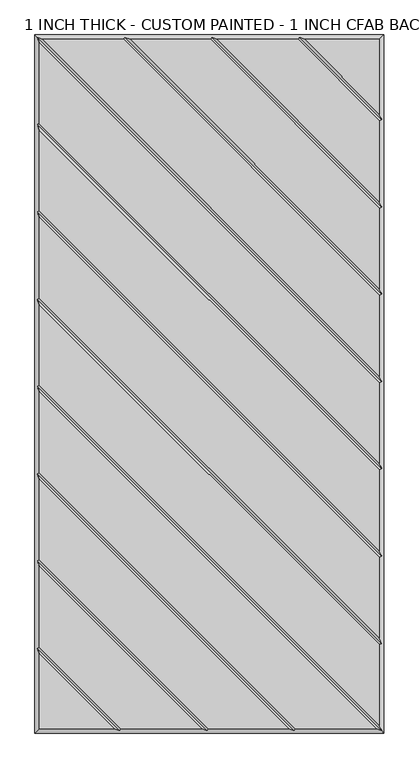
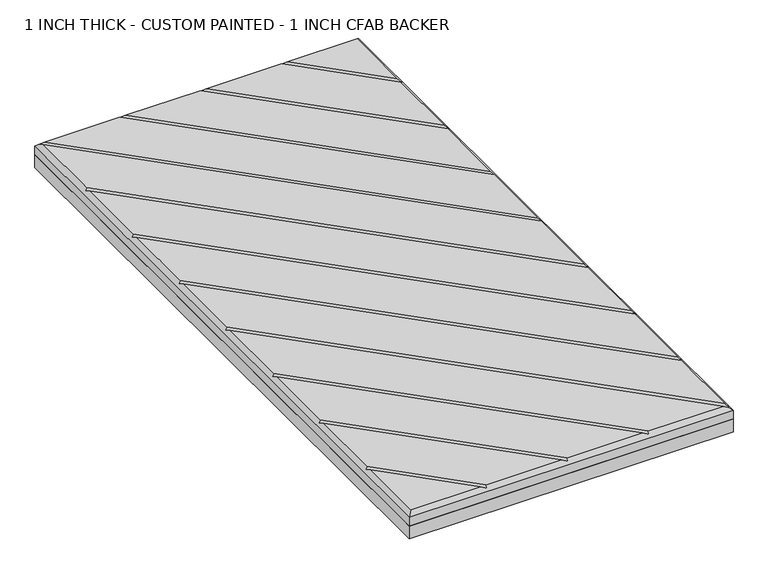
"""IFC4 building model written with IfcOpenShell, lengths in millimetres: proxy geometry, 1 INCH THICK - CUSTOM PAINTED - 1 INCH CFAB BACKER."""

from ifc_helpers import new_model, si_unit, frame, origin, place, context, project, spatial, polyline, outline, extrude, faceted_brep, source, transform, mapped, element, save


def proxy_1_inch_thick_custom_painted_1_inch_cfab_backer_3d9d440b(model_context):
    return source(origin(), model_context, "Body", "SolidModel", [
        extrude(outline(polyline([(-304.8, 609.6), (304.8, 609.6), (304.8, -609.6), (-304.8, -609.6), (-304.8, 609.6)])), frame((0.0, 0.0, -25.4), z_axis=(0.0, 0.0, 1.0), x_axis=(1.0, 0.0, 0.0)), (0.0, 0.0, 1.0), 25.4),
        faceted_brep([(296.799, 601.599, 25.4), (166.0590948, 601.599, 25.4), (296.799, 470.8590948, 25.4), (-296.799, -601.599, 25.4), (-166.0590079, -601.599, 25.4), (-296.799, -470.8585721, 25.4), (296.799, 459.543972, 25.4), (154.743972, 601.599, 25.4), (13.6585868, 601.599, 25.4), (296.799, 318.4585868, 25.4), (296.799, 307.143464, 25.4), (2.343464, 601.599, 25.4), (-138.7419092, 601.599, 25.4), (296.799, 166.0585747, 25.4), (296.799, 154.7434583, 25.4), (-150.0570382, 601.599, 25.4), (-291.1414386, 601.599, 25.4), (296.799, 13.6585614, 25.4), (296.799, 2.3434386, 25.4), (-296.799, 595.9414386, 25.4), (-296.799, 454.8565868, 25.4), (296.799, -138.7414132, 25.4), (296.799, -150.056536, 25.4), (-296.799, 443.541464, 25.4), (-296.799, 302.4565868, 25.4), (296.799, -291.1414132, 25.4), (296.799, -302.456536, 25.4), (-296.799, 291.141464, 25.4), (-296.799, 150.0565868, 25.4), (296.799, -443.5414132, 25.4), (296.799, -454.856536, 25.4), (-296.799, 138.741464, 25.4), (-296.799, -2.3434386, 25.4), (296.799, -595.9414386, 25.4), (291.1414386, -601.599, 25.4), (-296.799, -13.6585614, 25.4), (-296.799, -154.7434132, 25.4), (150.0565868, -601.599, 25.4), (-296.799, -459.5434305, 25.4), (-154.743904, -601.599, 25.4), (-13.6585605, -601.599, 25.4), (-296.799, -318.4585369, 25.4), (-296.799, -307.1434137, 25.4), (-2.3434382, -601.599, 25.4), (138.741464, -601.599, 25.4), (-296.799, -166.058536, 25.4), (-304.8, 609.6, 0.0), (304.8, 609.6, 0.0), (304.8, -609.6, 0.0), (-304.8, -609.6, 0.0), (-304.8, -609.6, 17.399), (-304.8, 609.6, 17.399), (304.8, -609.6, 17.399), (304.8, 609.6, 17.399), (-300.7995, 605.5995, 21.3995), (-148.3999782, 605.5995, 21.3995), (4.0005254, 605.5995, 21.3995), (156.4010334, 605.5995, 21.3995), (-300.7995, -461.2004879, 21.3995), (-300.7995, -308.8004749, 21.3995), (-300.7995, -156.4004746, 21.3995), (-300.7995, -4.0005, 21.3995), (-300.7995, 148.3995254, 21.3995), (-300.7995, 300.7995254, 21.3995), (-300.7995, 453.1995254, 21.3995), (300.7995, -605.5995, 21.3995), (148.3995254, -605.5995, 21.3995), (-4.0004997, -605.5995, 21.3995), (-156.4009693, -605.5995, 21.3995), (300.7995, 461.2010334, 21.3995), (300.7995, 308.8005254, 21.3995), (300.7995, 156.400521, 21.3995), (300.7995, 4.0005, 21.3995), (300.7995, -148.3994746, 21.3995), (300.7995, -300.7994746, 21.3995), (300.7995, -453.1994746, 21.3995)], [[[0, 1, 2]], [[3, 4, 5]], [[6, 7, 8, 9]], [[10, 11, 12, 13]], [[14, 15, 16, 17]], [[18, 19, 20, 21]], [[22, 23, 24, 25]], [[26, 27, 28, 29]], [[30, 31, 32, 33]], [[34, 35, 36, 37]], [[38, 39, 40, 41]], [[42, 43, 44, 45]], [[46, 47, 48, 49]], [[46, 49, 50, 51]], [[49, 48, 52, 50]], [[48, 47, 53, 52]], [[47, 46, 51, 53]], [[0, 53, 51, 54, 16, 15, 55, 12, 11, 56, 8, 7, 57, 1]], [[50, 3, 5, 58, 38, 41, 59, 42, 45, 60, 36, 35, 61, 32, 31, 62, 28, 27, 63, 24, 23, 64, 20, 19, 54, 51]], [[3, 50, 52, 65, 34, 37, 66, 44, 43, 67, 40, 39, 68, 4]], [[53, 0, 2, 69, 6, 9, 70, 10, 13, 71, 14, 17, 72, 18, 21, 73, 22, 25, 74, 26, 29, 75, 30, 33, 65, 52]], [[57, 69, 2, 1]], [[69, 57, 7, 6]], [[56, 70, 9, 8]], [[70, 56, 11, 10]], [[55, 71, 13, 12]], [[71, 55, 15, 14]], [[54, 72, 17, 16]], [[72, 54, 19, 18]], [[64, 73, 21, 20]], [[73, 64, 23, 22]], [[63, 74, 25, 24]], [[74, 63, 27, 26]], [[62, 75, 29, 28]], [[75, 62, 31, 30]], [[61, 65, 33, 32]], [[65, 61, 35, 34]], [[58, 68, 39, 38]], [[68, 58, 5, 4]], [[59, 67, 43, 42]], [[67, 59, 41, 40]], [[60, 66, 37, 36]], [[66, 60, 45, 44]]]),
    ])


if __name__ == "__main__":
    model = new_model("IFC4")
    model_context = context("Model", 3, world=origin())
    ifc_project = project(units=[si_unit("LENGTHUNIT", "METRE", prefix="MILLI")], contexts=[model_context])
    site = spatial("IfcSite", under=ifc_project)
    building = spatial("IfcBuilding", under=site)
    placement = place(None, origin())
    proxy_1_inch_thick_custom_painted_1_inch_cfab_backer_shape = proxy_1_inch_thick_custom_painted_1_inch_cfab_backer_3d9d440b(model_context)
    element("IfcBuildingElementProxy", 1, Name="1 INCH THICK - CUSTOM PAINTED - 1 INCH CFAB BACKER", ObjectType="1 INCH THICK - CUSTOM PAINTED - 1 INCH CFAB BACKER", at=placement, inside=building, context=model_context, shape_type="MappedRepresentation", body=[
        mapped(proxy_1_inch_thick_custom_painted_1_inch_cfab_backer_shape, transform((0.0, 0.0, 0.0), x_axis=(1.0, 0.0, 0.0), y_axis=(0.0, 1.0, 0.0), z_axis=(0.0, 0.0, 1.0))),
    ])
    save(model, "model.ifc")
